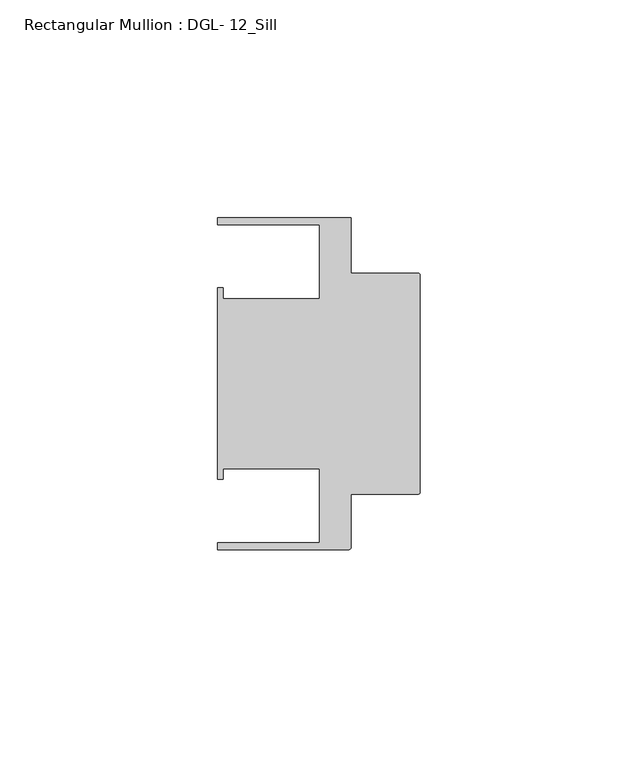
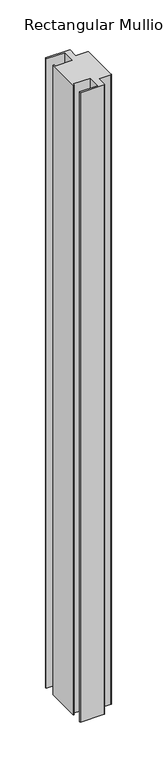
"""IFC4 building model written with IfcOpenShell, lengths in millimetres: member geometry, Rectangular Mullion : DGL- 12_Sill."""

from ifc_helpers import new_model, si_unit, point, frame, frame_2d, origin, place, context, project, spatial, polyline, circle_curve, trimmed, segment, composite_curve, outline, extrude, source, transform, mapped, element, save


def rectangular_mullion_dgl_12_sill_6328ae57(model_context):
    return source(origin(), model_context, "Body", "SweptSolid", [
        extrude(outline(composite_curve([segment(trimmed(circle_curve(frame_2d((-0.5953125, 24.8046875)), 0.5953125), [point((-0.5953125, 25.4))], [point((0.0, 24.8046875))], False, "CARTESIAN"), True, "CONTINUOUS"), segment(polyline([(0.0, 24.8046875), (0.0, -24.8046875)]), True, "CONTINUOUS"), segment(trimmed(circle_curve(frame_2d((-0.5953125, -24.8046875)), 0.5953125), [point((0.0, -24.8046875))], [point((-0.5953125, -25.4))], False, "CARTESIAN"), True, "CONTINUOUS"), segment(polyline([(-0.5953125, -25.4), (-15.8750672, -25.4), (-15.8750672, -37.5047035)]), True, "CONTINUOUS"), segment(trimmed(circle_curve(frame_2d((-16.4703797, -37.5047035)), 0.5953125), [point((-15.8750672, -37.5047035))], [point((-16.4703797, -38.100016))], False, "CARTESIAN"), True, "CONTINUOUS"), segment(polyline([(-16.4703797, -38.100016), (-46.54296, -38.100016), (-46.54296, -36.512516), (-23.1202791, -36.512516), (-23.1202791, -19.4824275), (-45.2865266, -19.4824275), (-45.2865266, -21.9710976), (-46.54296, -21.9710976), (-46.54296, 21.9710976), (-45.2865266, 21.9710976), (-45.2865266, 19.4824275), (-23.1202791, 19.4824275), (-23.1202791, 36.512516), (-46.54296, 36.512516), (-46.54296, 38.0996792), (-15.8750672, 38.0996792), (-15.8750672, 25.4), (-0.5953125, 25.4)]), True, "CONTINUOUS")], self_intersect=False)), frame((0.0, 0.0, -839.8417517), z_axis=(0.0, 0.0, 1.0), x_axis=(1.0, 0.0, 0.0)), (0.0, 0.0, 1.0), 839.8417517),
    ])


if __name__ == "__main__":
    model = new_model("IFC4")
    model_context = context("Model", 3, world=origin())
    ifc_project = project(units=[si_unit("LENGTHUNIT", "METRE", prefix="MILLI")], contexts=[model_context])
    site = spatial("IfcSite", under=ifc_project)
    building = spatial("IfcBuilding", under=site)
    placement = place(None, origin())
    rectangular_mullion_dgl_12_sill_shape = rectangular_mullion_dgl_12_sill_6328ae57(model_context)
    element("IfcMember", 1, ObjectType="Rectangular Mullion : DGL- 12_Sill", at=placement, inside=building, context=model_context, shape_type="MappedRepresentation", body=[
        mapped(rectangular_mullion_dgl_12_sill_shape, transform((0.0, 0.0, 0.0), x_axis=(1.0, 0.0, 0.0), y_axis=(0.0, 1.0, 0.0), z_axis=(0.0, 0.0, 1.0))),
    ])
    save(model, "model.ifc")
